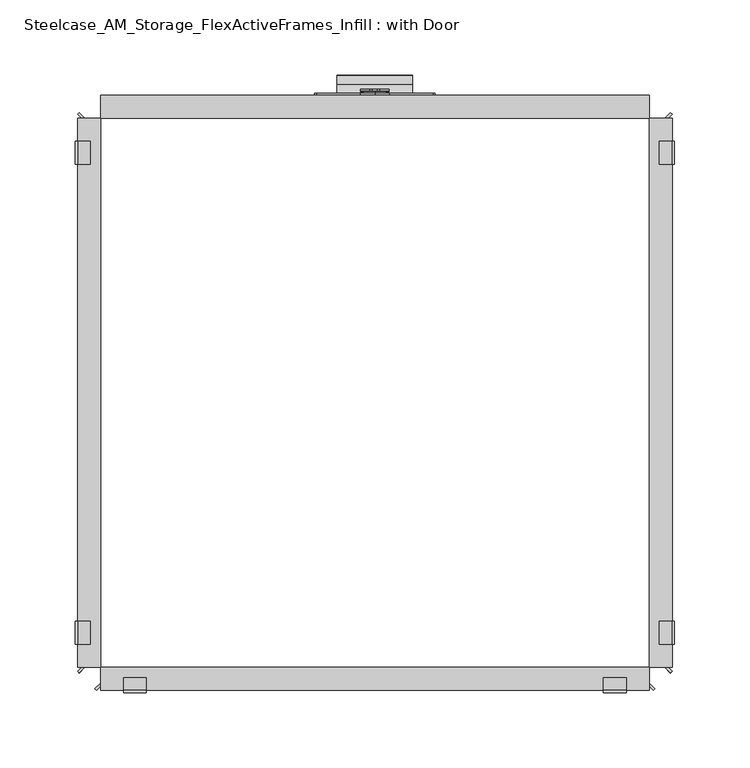
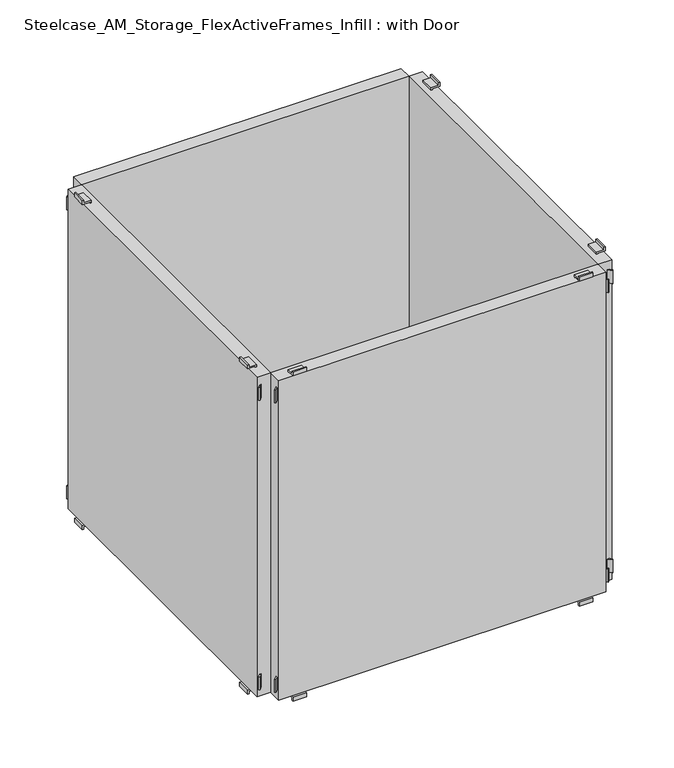
"""IFC4 building model written with IfcOpenShell, lengths in millimetres: furniture geometry, Steelcase_AM_Storage_FlexActiveFrames_Infill : with Door."""

from ifc_helpers import new_model, si_unit, point, frame, frame_2d, origin, place, context, project, spatial, polyline, circle_curve, trimmed, segment, composite_curve, outline, extrude, source, transform, mapped, element, save
from ifc_brep_helpers import plane_surface, cylinder_surface, revolved_surface, advanced_brep


def steelcase_am_storage_flexactiveframes_infill_with_door_cb896ec0(model_context):
    return source(origin(), model_context, "Body", "SolidModel", [
        extrude(outline(composite_curve([segment(polyline([(152.5718006, 196.8496488), (150.3317189, 196.8496488)]), True, "CONTINUOUS"), segment(trimmed(circle_curve(frame_2d((150.3317189, 198.3736488)), 1.524), [point((150.3317189, 196.8496488))], [point((148.8077189, 198.3736488))], False, "CARTESIAN"), True, "CONTINUOUS"), segment(polyline([(148.8077189, 198.3736488), (148.8077189, 201.6763512)]), True, "CONTINUOUS"), segment(trimmed(circle_curve(frame_2d((150.3317189, 201.6763512)), 1.524), [point((148.8077189, 201.6763512))], [point((150.3317189, 203.2003512))], False, "CARTESIAN"), True, "CONTINUOUS"), segment(polyline([(150.3317189, 203.2003512), (152.5718006, 203.2003512)]), True, "CONTINUOUS"), segment(trimmed(circle_curve(frame_2d((161.5079853, 200.025)), 9.4835781), [point((152.5718006, 203.2003512))], [point((170.4441701, 203.2003512))], False, "CARTESIAN"), True, "CONTINUOUS"), segment(polyline([(170.4441701, 203.2003512), (172.6842518, 203.2003512)]), True, "CONTINUOUS"), segment(trimmed(circle_curve(frame_2d((172.6842518, 201.6763512)), 1.524), [point((172.6842518, 203.2003512))], [point((174.2082518, 201.6763512))], False, "CARTESIAN"), True, "CONTINUOUS"), segment(polyline([(174.2082518, 201.6763512), (174.2082518, 198.3736488)]), True, "CONTINUOUS"), segment(trimmed(circle_curve(frame_2d((172.6842518, 198.3736488)), 1.524), [point((174.2082518, 198.3736488))], [point((172.6842518, 196.8496488))], False, "CARTESIAN"), True, "CONTINUOUS"), segment(polyline([(172.6842518, 196.8496488), (170.4441701, 196.8496488)]), True, "CONTINUOUS"), segment(trimmed(circle_curve(frame_2d((161.5079853, 200.025)), 9.4835781), [point((170.4441701, 196.8496488))], [point((152.5718006, 196.8496488))], False, "CARTESIAN"), True, "CONTINUOUS")], self_intersect=False)), frame((0.0, 400.6849803, 0.0), z_axis=(0.0, 1.0, 0.0), x_axis=(0.0, 0.0, 1.0)), (0.0, 0.0, 1.0), 0.762),
        advanced_brep(
        [(200.025, 397.51, 151.1069002), (200.025, 397.51, 161.5079853), (200.025, 397.51, 171.9090704), (200.025, 399.0335313, 152.3124153), (200.025, 399.0335313, 170.7035554), (200.025, 399.0335313, 155.2647804), (200.025, 399.0335313, 167.7511903), (200.025, 399.7959797, 152.0244072), (200.025, 399.7959797, 170.9915634), (200.025, 400.6849803, 152.0244072), (200.025, 400.6849803, 170.9915634), (200.025, 400.6849803, 161.5079853)],
        [
            (0, 1),
            (1, 2),
            (2, 0, circle_curve(frame((200.025, 397.51, 161.5079853), z_axis=(0.0, -1.0, 0.0), x_axis=(0.0, 0.0, 1.0)), 10.4010851)),
            (0, 2, circle_curve(frame((200.025, 397.51, 161.5079853), z_axis=(0.0, -1.0, 0.0), x_axis=(0.0, 0.0, 1.0)), 10.4010851)),
            (3, 0),
            (2, 4),
            (4, 3, circle_curve(frame((200.025, 399.0335313, 161.5079853), z_axis=(0.0, -1.0, 0.0), x_axis=(0.0, 0.0, 1.0)), 9.19557)),
            (3, 4, circle_curve(frame((200.025, 399.0335313, 161.5079853), z_axis=(0.0, -1.0, 0.0), x_axis=(0.0, 0.0, 1.0)), 9.19557)),
            (5, 3),
            (4, 6),
            (6, 5, circle_curve(frame((200.025, 399.0335313, 161.5079853), z_axis=(0.0, -1.0, 0.0), x_axis=(0.0, 0.0, 1.0)), 6.243205)),
            (5, 6, circle_curve(frame((200.025, 399.0335313, 161.5079853), z_axis=(0.0, -1.0, 0.0), x_axis=(0.0, 0.0, 1.0)), 6.243205)),
            (7, 5),
            (6, 8),
            (8, 7, circle_curve(frame((200.025, 399.7959797, 161.5079853), z_axis=(0.0, -1.0, 0.0), x_axis=(0.0, 0.0, 1.0)), 9.4835781)),
            (7, 8, circle_curve(frame((200.025, 399.7959797, 161.5079853), z_axis=(0.0, -1.0, 0.0), x_axis=(0.0, 0.0, 1.0)), 9.4835781)),
            (9, 7),
            (8, 10),
            (10, 9, circle_curve(frame((200.025, 400.6849803, 161.5079853), z_axis=(0.0, -1.0, 0.0), x_axis=(0.0, 0.0, 1.0)), 9.4835781)),
            (9, 10, circle_curve(frame((200.025, 400.6849803, 161.5079853), z_axis=(0.0, -1.0, 0.0), x_axis=(0.0, 0.0, 1.0)), 9.4835781)),
            (11, 9),
            (10, 11),
        ],
        [
            plane_surface(frame((200.025, 397.51, 161.5079853), z_axis=(0.0, -1.0, 0.0), x_axis=(0.0, 0.0, 1.0))),
            revolved_surface(polyline([(200.025, 397.51, 171.9090704), (200.025, 399.0335313, 170.7035554)]), (200.025, 386.0294251, 161.5079853), (0.0, 1.0, 0.0)),
            plane_surface(frame((200.025, 399.0335313, 161.5079853), z_axis=(0.0, 1.0, 0.0), x_axis=(0.0, 0.0, 1.0))),
            revolved_surface(polyline([(200.025, 399.0335313, 167.7511903), (200.025, 399.7959797, 170.9915634)]), (200.025, 386.0294251, 161.5079853), (0.0, 1.0, 0.0)),
            cylinder_surface(frame((200.025, 386.0294251, 161.5079853), z_axis=(0.0, 1.0, 0.0), x_axis=(0.0, 0.0, 1.0)), 9.4835781),
            plane_surface(frame((200.025, 400.6849803, 161.5079853), z_axis=(0.0, 1.0, 0.0), x_axis=(0.0, 0.0, 1.0))),
        ],
        [
            (0, [[1, 2, 3]]),
            (0, [[-2, -1, 4]]),
            (1, [[5, -3, 6, 7]]),
            (1, [[-6, -4, -5, 8]]),
            (2, [[9, -7, 10, 11]]),
            (2, [[-10, -8, -9, 12]]),
            (3, [[13, -11, 14, 15]]),
            (3, [[-14, -12, -13, 16]]),
            (4, [[17, -15, 18, 19]]),
            (4, [[-18, -16, -17, 20]]),
            (5, [[21, -19, 22]]),
            (5, [[-22, -20, -21]]),
        ],
    ),
        advanced_brep(
        [(238.5004965, 399.034, 135.2296), (240.0244965, 399.034, 133.7056), (240.0244965, 399.034, 121.5136), (160.0244862, 399.034, 121.5136), (160.0244862, 399.034, 133.7056), (161.5484862, 399.034, 135.2296), (238.5004965, 397.51, 135.2296), (161.5484862, 397.51, 135.2296), (160.0244862, 397.51, 133.7056), (160.0244862, 397.51, 121.5136), (240.0244965, 397.51, 121.5136), (240.0244965, 397.51, 133.7056), (160.0244862, 397.51, 119.9896), (160.0244862, 382.27, 119.9896), (160.0244862, 382.27, 121.5136), (240.0244965, 382.27, 121.5136), (240.0244965, 382.27, 119.9896), (240.0244965, 397.51, 119.9896)],
        [
            (0, 1, circle_curve(frame((238.5004965, 399.034, 133.7056), z_axis=(0.0, 1.0, 0.0), x_axis=(1.0, 0.0, 0.0)), 1.524)),
            (1, 2),
            (2, 3),
            (3, 4),
            (4, 5, circle_curve(frame((161.5484862, 399.034, 133.7056), z_axis=(0.0, 1.0, 0.0), x_axis=(1.0, 0.0, 0.0)), 1.524)),
            (5, 0),
            (6, 7),
            (7, 8, circle_curve(frame((161.5484862, 397.51, 133.7056), z_axis=(0.0, -1.0, 0.0), x_axis=(1.0, 0.0, 0.0)), 1.524)),
            (8, 9),
            (9, 10),
            (10, 11),
            (11, 6, circle_curve(frame((238.5004965, 397.51, 133.7056), z_axis=(0.0, -1.0, 0.0), x_axis=(1.0, 0.0, 0.0)), 1.524)),
            (5, 7),
            (6, 0),
            (4, 8),
            (3, 12, circle_curve(frame((160.0244862, 397.51, 121.5136), z_axis=(-1.0, 0.0, 0.0), x_axis=(0.0, -1.0, 0.0)), 1.524)),
            (12, 13),
            (13, 14),
            (14, 9),
            (1, 11),
            (10, 15),
            (15, 16),
            (16, 17),
            (17, 2, circle_curve(frame((240.0244965, 397.51, 121.5136), z_axis=(1.0, 0.0, 0.0), x_axis=(0.0, -1.0, 0.0)), 1.524)),
            (16, 13),
            (12, 17),
            (15, 14),
        ],
        [
            plane_surface(frame((161.5484862, 399.034, 135.2296), z_axis=(0.0, 1.0, 0.0), x_axis=(-1.0, 0.0, 0.0))),
            plane_surface(frame((161.5484862, 397.51, 135.2296), z_axis=(0.0, -1.0, 0.0), x_axis=(1.0, 0.0, 0.0))),
            plane_surface(frame((238.5004965, 399.034, 135.2296), z_axis=(0.0, 0.0, 1.0), x_axis=(0.0, -1.0, 0.0))),
            cylinder_surface(frame((161.5484862, 397.51, 133.7056), z_axis=(0.0, 1.0, 0.0), x_axis=(1.0, 0.0, 0.0)), 1.524),
            plane_surface(frame((160.0244862, 399.034, 133.7056), z_axis=(-1.0, 0.0, 0.0), x_axis=(0.0, -1.0, 0.0))),
            plane_surface(frame((240.0244965, 399.034, 123.0376), z_axis=(1.0, 0.0, 0.0), x_axis=(0.0, -1.0, 0.0))),
            cylinder_surface(frame((238.5004965, 397.51, 133.7056), z_axis=(0.0, 1.0, 0.0), x_axis=(1.0, 0.0, 0.0)), 1.524),
            plane_surface(frame((240.0244965, 397.51, 119.9896), z_axis=(0.0, 0.0, -1.0), x_axis=(-1.0, 0.0, 0.0))),
            plane_surface(frame((240.0244965, 382.27, 119.9896), z_axis=(0.0, -1.0, 0.0), x_axis=(-1.0, 0.0, 0.0))),
            plane_surface(frame((240.0244965, 382.27, 121.5136), z_axis=(0.0, 0.0, 1.0), x_axis=(-1.0, 0.0, 0.0))),
            cylinder_surface(frame((160.0244862, 397.51, 121.5136), z_axis=(1.0, 0.0, 0.0), x_axis=(0.0, -1.0, 0.0)), 1.524),
        ],
        [
            (0, [[1, 2, 3, 4, 5, 6]]),
            (1, [[7, 8, 9, 10, 11, 12]]),
            (2, [[13, -7, 14, -6]]),
            (3, [[15, -8, -13, -5]]),
            (4, [[16, 17, 18, 19, -9, -15, -4]]),
            (5, [[20, -11, 21, 22, 23, 24, -2]]),
            (6, [[-14, -12, -20, -1]]),
            (7, [[25, -17, 26, -23]]),
            (8, [[27, -18, -25, -22]]),
            (9, [[-10, -19, -27, -21]]),
            (10, [[-26, -16, -3, -24]]),
        ],
    ),
        extrude(outline(composite_curve([segment(polyline([(399.034, 129.7528311), (399.034, 131.6608068)]), True, "CONTINUOUS"), segment(trimmed(circle_curve(frame_2d((399.3330542, 125.2742816)), 6.3935231), [point((399.034, 131.6608068))], [point((404.4176446, 129.1503721))], False, "CARTESIAN"), True, "CONTINUOUS"), segment(trimmed(circle_curve(frame_2d((376.5973715, 107.9423915)), 34.9820816), [point((404.4176446, 129.1503721))], [point((410.6266598, 116.0512493))], False, "CARTESIAN"), True, "CONTINUOUS"), segment(trimmed(circle_curve(frame_2d((405.3950826, 114.8046139)), 5.3780573), [point((410.6266598, 116.0512493))], [point((406.1001071, 109.4729687))], False, "CARTESIAN"), True, "CONTINUOUS"), segment(trimmed(circle_curve(frame_2d((405.7469426, 112.1437242)), 2.6940045), [point((406.1001071, 109.4729687))], [point((403.4639399, 110.7134937))], False, "CARTESIAN"), True, "CONTINUOUS"), segment(trimmed(circle_curve(frame_2d((432.7352012, 129.0510324)), 34.5408752), [point((403.4639399, 110.7134937))], [point((399.5684276, 119.4054535))], False, "CARTESIAN"), True, "CONTINUOUS"), segment(trimmed(circle_curve(frame_2d((403.0105921, 120.4065056)), 3.5847736), [point((399.5684276, 119.4054535))], [point((400.5300937, 122.9945028))], False, "CARTESIAN"), True, "CONTINUOUS"), segment(trimmed(circle_curve(frame_2d((399.159917, 124.4240597)), 1.9801559), [point((400.5300937, 122.9945028))], [point((399.034, 126.400208))], True, "CARTESIAN"), True, "CONTINUOUS"), segment(polyline([(399.034, 126.400208), (399.034, 128.3071746)]), True, "CONTINUOUS"), segment(trimmed(circle_curve(frame_2d((399.159917, 124.4240597)), 3.8851559), [point((399.034, 128.3071746))], [point((401.8482661, 121.6192041))], False, "CARTESIAN"), True, "CONTINUOUS"), segment(trimmed(circle_curve(frame_2d((403.0105921, 120.4065056)), 1.6797736), [point((401.8482661, 121.6192041))], [point((401.3976431, 119.9374269))], True, "CARTESIAN"), True, "CONTINUOUS"), segment(trimmed(circle_curve(frame_2d((432.7352012, 129.0510324)), 32.6358752), [point((401.3976431, 119.9374269))], [point((405.0783099, 111.7248465))], True, "CARTESIAN"), True, "CONTINUOUS"), segment(trimmed(circle_curve(frame_2d((405.7469426, 112.1437242)), 0.7890045), [point((405.0783099, 111.7248465))], [point((405.8503754, 111.3615287))], True, "CARTESIAN"), True, "CONTINUOUS"), segment(trimmed(circle_curve(frame_2d((405.3950826, 114.8046139)), 3.4730573), [point((405.8503754, 111.3615287))], [point((408.7735456, 115.6096697))], True, "CARTESIAN"), True, "CONTINUOUS"), segment(trimmed(circle_curve(frame_2d((376.5973715, 107.9423915)), 33.0770816), [point((408.7735456, 115.6096697))], [point((402.9026513, 127.9954607))], True, "CARTESIAN"), True, "CONTINUOUS"), segment(trimmed(circle_curve(frame_2d((399.3330542, 125.2742816)), 4.4885231), [point((402.9026513, 127.9954607))], [point((399.034, 129.7528311))], True, "CARTESIAN"), True, "CONTINUOUS")], self_intersect=False)), frame((175.0458803, 0.0, 0.0), z_axis=(1.0, 0.0, 0.0), x_axis=(0.0, 1.0, 0.0)), (0.0, 0.0, 1.0), 49.9787862),
        extrude(outline(polyline([(382.27, 397.51), (382.27, 382.27), (17.78, 382.27), (17.78, 397.51), (382.27, 397.51)])), frame((0.0, 0.0, 121.5136), z_axis=(0.0, 0.0, 1.0), x_axis=(1.0, 0.0, 0.0)), (0.0, 0.0, 1.0), 375.92),
        extrude(outline(polyline([(394.8423586, 382.27), (392.6870971, 382.27), (396.4197138, 386.0026167), (397.4973445, 384.924986), (394.8423586, 382.27)])), frame((0.0, 0.0, 472.0336), z_axis=(0.0, 0.0, 1.0), x_axis=(1.0, 0.0, 0.0)), (0.0, 0.0, 1.0), 15.24),
        extrude(outline(polyline([(394.8423586, 17.78), (397.4973445, 15.125014), (396.4197138, 14.0473833), (392.6870971, 17.78), (394.8423586, 17.78)])), frame((0.0, 0.0, 472.0336), z_axis=(0.0, 0.0, 1.0), x_axis=(1.0, 0.0, 0.0)), (0.0, 0.0, 1.0), 15.24),
        extrude(outline(polyline([(394.8423586, 382.27), (392.6870971, 382.27), (396.4197138, 386.0026167), (397.4973445, 384.924986), (394.8423586, 382.27)])), frame((0.0, 0.0, 131.6736), z_axis=(0.0, 0.0, 1.0), x_axis=(1.0, 0.0, 0.0)), (0.0, 0.0, 1.0), 15.24),
        extrude(outline(polyline([(394.8423586, 17.78), (397.4973445, 15.125014), (396.4197138, 14.0473833), (392.6870971, 17.78), (394.8423586, 17.78)])), frame((0.0, 0.0, 131.6736), z_axis=(0.0, 0.0, 1.0), x_axis=(1.0, 0.0, 0.0)), (0.0, 0.0, 1.0), 15.24),
        extrude(outline(polyline([(503.0770636, 397.51), (499.9736, 397.51), (499.9736, 389.128), (497.4336, 389.128), (497.4336, 390.652), (498.4496, 390.652), (498.4496, 399.034), (503.0770636, 399.034), (503.0770636, 397.51)])), frame((0.0, 33.02, 0.0), z_axis=(0.0, 1.0, 0.0), x_axis=(0.0, 0.0, 1.0)), (0.0, 0.0, 1.0), 15.24),
        extrude(outline(polyline([(115.8701364, 397.51), (115.8701364, 399.034), (120.4976, 399.034), (120.4976, 390.652), (121.5136, 390.652), (121.5136, 389.128), (118.9736, 389.128), (118.9736, 397.51), (115.8701364, 397.51)])), frame((0.0, 33.02, 0.0), z_axis=(0.0, 1.0, 0.0), x_axis=(0.0, 0.0, 1.0)), (0.0, 0.0, 1.0), 15.24),
        extrude(outline(polyline([(503.0770636, 397.51), (499.9736, 397.51), (499.9736, 389.128), (497.4336, 389.128), (497.4336, 390.652), (498.4496, 390.652), (498.4496, 399.034), (503.0770636, 399.034), (503.0770636, 397.51)])), frame((0.0, 351.79, 0.0), z_axis=(0.0, 1.0, 0.0), x_axis=(0.0, 0.0, 1.0)), (0.0, 0.0, 1.0), 15.24),
        extrude(outline(polyline([(115.8701364, 397.51), (115.8701364, 399.034), (120.4976, 399.034), (120.4976, 390.652), (121.5136, 390.652), (121.5136, 389.128), (118.9736, 389.128), (118.9736, 397.51), (115.8701364, 397.51)])), frame((0.0, 351.79, 0.0), z_axis=(0.0, 1.0, 0.0), x_axis=(0.0, 0.0, 1.0)), (0.0, 0.0, 1.0), 15.24),
        extrude(outline(polyline([(382.27, 17.78), (382.27, 382.27), (397.51, 382.27), (397.51, 17.78), (382.27, 17.78)])), frame((0.0, 0.0, 121.5136), z_axis=(0.0, 0.0, 1.0), x_axis=(1.0, 0.0, 0.0)), (0.0, 0.0, 1.0), 375.92),
        extrude(outline(polyline([(5.2076414, 382.27), (2.5526555, 384.924986), (3.6302862, 386.0026167), (7.3629029, 382.27), (5.2076414, 382.27)])), frame((0.0, 0.0, 472.0336), z_axis=(0.0, 0.0, 1.0), x_axis=(1.0, 0.0, 0.0)), (0.0, 0.0, 1.0), 15.24),
        extrude(outline(polyline([(5.2076414, 17.78), (7.3629029, 17.78), (3.6302862, 14.0473833), (2.5526555, 15.125014), (5.2076414, 17.78)])), frame((0.0, 0.0, 472.0336), z_axis=(0.0, 0.0, 1.0), x_axis=(1.0, 0.0, 0.0)), (0.0, 0.0, 1.0), 15.24),
        extrude(outline(polyline([(5.2076414, 382.27), (2.5526555, 384.924986), (3.6302862, 386.0026167), (7.3629029, 382.27), (5.2076414, 382.27)])), frame((0.0, 0.0, 131.6736), z_axis=(0.0, 0.0, 1.0), x_axis=(1.0, 0.0, 0.0)), (0.0, 0.0, 1.0), 15.24),
        extrude(outline(polyline([(5.2076414, 17.78), (7.3629029, 17.78), (3.6302862, 14.0473833), (2.5526555, 15.125014), (5.2076414, 17.78)])), frame((0.0, 0.0, 131.6736), z_axis=(0.0, 0.0, 1.0), x_axis=(1.0, 0.0, 0.0)), (0.0, 0.0, 1.0), 15.24),
        extrude(outline(polyline([(503.0770636, 2.54), (503.0770636, 1.016), (498.4496, 1.016), (498.4496, 9.398), (497.4336, 9.398), (497.4336, 10.922), (499.9736, 10.922), (499.9736, 2.54), (503.0770636, 2.54)])), frame((0.0, 33.02, 0.0), z_axis=(0.0, 1.0, 0.0), x_axis=(0.0, 0.0, 1.0)), (0.0, 0.0, 1.0), 15.24),
        extrude(outline(polyline([(115.8701364, 2.54), (118.9736, 2.54), (118.9736, 10.922), (121.5136, 10.922), (121.5136, 9.398), (120.4976, 9.398), (120.4976, 1.016), (115.8701364, 1.016), (115.8701364, 2.54)])), frame((0.0, 33.02, 0.0), z_axis=(0.0, 1.0, 0.0), x_axis=(0.0, 0.0, 1.0)), (0.0, 0.0, 1.0), 15.24),
        extrude(outline(polyline([(503.0770636, 2.54), (503.0770636, 1.016), (498.4496, 1.016), (498.4496, 9.398), (497.4336, 9.398), (497.4336, 10.922), (499.9736, 10.922), (499.9736, 2.54), (503.0770636, 2.54)])), frame((0.0, 351.79, 0.0), z_axis=(0.0, 1.0, 0.0), x_axis=(0.0, 0.0, 1.0)), (0.0, 0.0, 1.0), 15.24),
        extrude(outline(polyline([(115.8701364, 2.54), (118.9736, 2.54), (118.9736, 10.922), (121.5136, 10.922), (121.5136, 9.398), (120.4976, 9.398), (120.4976, 1.016), (115.8701364, 1.016), (115.8701364, 2.54)])), frame((0.0, 351.79, 0.0), z_axis=(0.0, 1.0, 0.0), x_axis=(0.0, 0.0, 1.0)), (0.0, 0.0, 1.0), 15.24),
        extrude(outline(polyline([(17.78, 17.78), (2.54, 17.78), (2.54, 382.27), (17.78, 382.27), (17.78, 17.78)])), frame((0.0, 0.0, 121.5136), z_axis=(0.0, 0.0, 1.0), x_axis=(1.0, 0.0, 0.0)), (0.0, 0.0, 1.0), 375.92),
        extrude(outline(polyline([(17.78, 5.2076414), (15.125014, 2.5526555), (14.0473833, 3.6302862), (17.78, 7.3629029), (17.78, 5.2076414)])), frame((0.0, 0.0, 472.0336), z_axis=(0.0, 0.0, 1.0), x_axis=(1.0, 0.0, 0.0)), (0.0, 0.0, 1.0), 15.24),
        extrude(outline(polyline([(382.27, 5.2076414), (382.27, 7.3629029), (386.0026167, 3.6302862), (384.924986, 2.5526555), (382.27, 5.2076414)])), frame((0.0, 0.0, 472.0336), z_axis=(0.0, 0.0, 1.0), x_axis=(1.0, 0.0, 0.0)), (0.0, 0.0, 1.0), 15.24),
        extrude(outline(polyline([(17.78, 5.2076414), (15.125014, 2.5526555), (14.0473833, 3.6302862), (17.78, 7.3629029), (17.78, 5.2076414)])), frame((0.0, 0.0, 131.6736), z_axis=(0.0, 0.0, 1.0), x_axis=(1.0, 0.0, 0.0)), (0.0, 0.0, 1.0), 15.24),
        extrude(outline(polyline([(382.27, 5.2076414), (382.27, 7.3629029), (386.0026167, 3.6302862), (384.924986, 2.5526555), (382.27, 5.2076414)])), frame((0.0, 0.0, 131.6736), z_axis=(0.0, 0.0, 1.0), x_axis=(1.0, 0.0, 0.0)), (0.0, 0.0, 1.0), 15.24),
        extrude(outline(polyline([(2.54, 503.0770636), (2.54, 499.9736), (10.922, 499.9736), (10.922, 497.4336), (9.398, 497.4336), (9.398, 498.4496), (1.016, 498.4496), (1.016, 503.0770636), (2.54, 503.0770636)])), frame((351.79, 0.0, 0.0), z_axis=(1.0, 0.0, 0.0), x_axis=(0.0, 1.0, 0.0)), (0.0, 0.0, 1.0), 15.24),
        extrude(outline(polyline([(2.54, 115.8701364), (1.016, 115.8701364), (1.016, 120.4976), (9.398, 120.4976), (9.398, 121.5136), (10.922, 121.5136), (10.922, 118.9736), (2.54, 118.9736), (2.54, 115.8701364)])), frame((351.79, 0.0, 0.0), z_axis=(1.0, 0.0, 0.0), x_axis=(0.0, 1.0, 0.0)), (0.0, 0.0, 1.0), 15.24),
        extrude(outline(polyline([(2.54, 503.0770636), (2.54, 499.9736), (10.922, 499.9736), (10.922, 497.4336), (9.398, 497.4336), (9.398, 498.4496), (1.016, 498.4496), (1.016, 503.0770636), (2.54, 503.0770636)])), frame((33.02, 0.0, 0.0), z_axis=(1.0, 0.0, 0.0), x_axis=(0.0, 1.0, 0.0)), (0.0, 0.0, 1.0), 15.24),
        extrude(outline(polyline([(2.54, 115.8701364), (1.016, 115.8701364), (1.016, 120.4976), (9.398, 120.4976), (9.398, 121.5136), (10.922, 121.5136), (10.922, 118.9736), (2.54, 118.9736), (2.54, 115.8701364)])), frame((33.02, 0.0, 0.0), z_axis=(1.0, 0.0, 0.0), x_axis=(0.0, 1.0, 0.0)), (0.0, 0.0, 1.0), 15.24),
        extrude(outline(polyline([(382.27, 17.78), (382.27, 2.54), (17.78, 2.54), (17.78, 17.78), (382.27, 17.78)])), frame((0.0, 0.0, 121.5136), z_axis=(0.0, 0.0, 1.0), x_axis=(1.0, 0.0, 0.0)), (0.0, 0.0, 1.0), 375.92),
    ])


if __name__ == "__main__":
    model = new_model("IFC4")
    model_context = context("Model", 3, world=origin())
    ifc_project = project(units=[si_unit("LENGTHUNIT", "METRE", prefix="MILLI")], contexts=[model_context])
    site = spatial("IfcSite", under=ifc_project)
    building = spatial("IfcBuilding", under=site)
    placement = place(None, origin())
    steelcase_am_storage_flexactiveframes_infill_with_door_shape = steelcase_am_storage_flexactiveframes_infill_with_door_cb896ec0(model_context)
    element("IfcFurniture", 1, ObjectType="Steelcase_AM_Storage_FlexActiveFrames_Infill : with Door", at=placement, inside=building, context=model_context, shape_type="MappedRepresentation", body=[
        mapped(steelcase_am_storage_flexactiveframes_infill_with_door_shape, transform((0.0, 0.0, 0.0), x_axis=(1.0, 0.0, 0.0), y_axis=(0.0, 1.0, 0.0), z_axis=(0.0, 0.0, 1.0))),
    ])
    save(model, "model.ifc")
